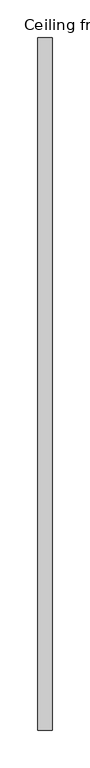
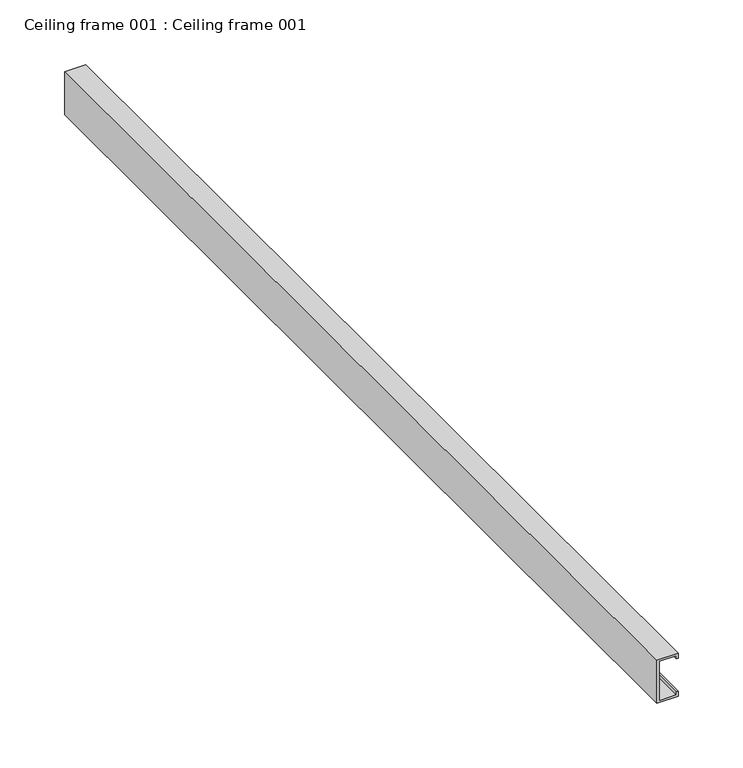
"""IFC4 building model written with IfcOpenShell, lengths in millimetres: proxy geometry, Ceiling frame 001 : Ceiling frame 001."""

from ifc_helpers import new_model, si_unit, frame, origin, place, context, project, spatial, polyline, outline, extrude, source, transform, mapped, element, save


def ceiling_frame_001_ceiling_frame_001_3eae0ee2(model_context):
    return source(origin(), model_context, "Body", "SweptSolid", [
        extrude(outline(polyline([(3018.8598856, 37060.600832), (3023.6587137, 37060.600832), (3023.6587137, 37041.7531757), (2983.0376211, 37041.7531757), (2983.0376211, 37060.6008296), (2987.8364481, 37060.6008296), (2987.8364481, 37058.7785641), (2984.8598866, 37058.7785641), (2984.8598866, 37043.5754412), (3021.8364482, 37043.5754412), (3021.8364482, 37058.778566), (3018.8598856, 37058.778566), (3018.8598856, 37060.600832)])), frame((0.0, -19576.8264254, 0.0), z_axis=(0.0, 1.0, 0.0), x_axis=(0.0, 0.0, 1.0)), (0.0, 0.0, 1.0), 914.3999924),
    ])


if __name__ == "__main__":
    model = new_model("IFC4")
    model_context = context("Model", 3, world=origin())
    ifc_project = project(units=[si_unit("LENGTHUNIT", "METRE", prefix="MILLI")], contexts=[model_context])
    site = spatial("IfcSite", under=ifc_project)
    building = spatial("IfcBuilding", under=site)
    placement = place(None, origin())
    ceiling_frame_001_ceiling_frame_001_shape = ceiling_frame_001_ceiling_frame_001_3eae0ee2(model_context)
    element("IfcBuildingElementProxy", 1, Name="Ceiling frame 001 : Ceiling frame 001", ObjectType="Ceiling frame 001 : Ceiling frame 001", at=placement, inside=building, context=model_context, shape_type="MappedRepresentation", body=[
        mapped(ceiling_frame_001_ceiling_frame_001_shape, transform((0.0, 0.0, 0.0), x_axis=(1.0, 0.0, 0.0), y_axis=(0.0, 1.0, 0.0), z_axis=(0.0, 0.0, 1.0))),
    ])
    save(model, "model.ifc")
